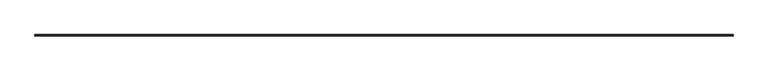
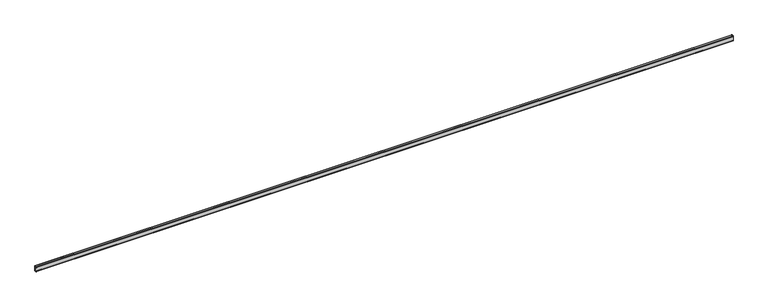
"""IFC4 building model written with IfcOpenShell, lengths in millimetres: railing geometry."""

from ifc_helpers import new_model, si_unit, point, frame, frame_2d, origin, place, context, project, spatial, polyline, circle_curve, trimmed, segment, composite_curve, outline, extrude, source, transform, mapped, element, save


def railing_a94ff574(model_context):
    return source(origin(), model_context, "Body", "SweptSolid", [
        extrude(outline(composite_curve([segment(trimmed(circle_curve(frame_2d((50370.6989982, 574.548)), 1.524), [point((50370.6989982, 573.024))], [point((50372.2229982, 574.548))], True, "CARTESIAN"), True, "CONTINUOUS"), segment(polyline([(50372.2229982, 574.548), (50372.2229982, 708.152)]), True, "CONTINUOUS"), segment(trimmed(circle_curve(frame_2d((50370.6989982, 708.152)), 1.524), [point((50372.2229982, 708.152))], [point((50370.6989982, 709.676))], True, "CARTESIAN"), True, "CONTINUOUS"), segment(polyline([(50370.6989982, 709.676), (50337.1709982, 709.676), (50337.1709982, 692.15), (50335.6469982, 692.15), (50335.6469982, 709.295)]), True, "CONTINUOUS"), segment(trimmed(circle_curve(frame_2d((50337.5519982, 709.295)), 1.905), [point((50335.6469982, 709.295))], [point((50337.5519982, 711.2))], False, "CARTESIAN"), True, "CONTINUOUS"), segment(polyline([(50337.5519982, 711.2), (50370.5719982, 711.2)]), True, "CONTINUOUS"), segment(trimmed(circle_curve(frame_2d((50370.5719982, 708.025)), 3.175), [point((50370.5719982, 711.2))], [point((50373.7469982, 708.025))], False, "CARTESIAN"), True, "CONTINUOUS"), segment(polyline([(50373.7469982, 708.025), (50373.7469982, 574.675)]), True, "CONTINUOUS"), segment(trimmed(circle_curve(frame_2d((50370.5719982, 574.675)), 3.175), [point((50373.7469982, 574.675))], [point((50370.5719982, 571.5))], False, "CARTESIAN"), True, "CONTINUOUS"), segment(polyline([(50370.5719982, 571.5), (50337.5519982, 571.5)]), True, "CONTINUOUS"), segment(trimmed(circle_curve(frame_2d((50337.5519982, 573.405)), 1.905), [point((50337.5519982, 571.5))], [point((50335.6469982, 573.405))], False, "CARTESIAN"), True, "CONTINUOUS"), segment(polyline([(50335.6469982, 573.405), (50335.6469982, 590.55), (50337.1709982, 590.55), (50337.1709982, 573.024), (50370.6989982, 573.024)]), True, "CONTINUOUS")], self_intersect=False)), frame((31170.4663719, 0.0, 0.0), z_axis=(1.0, 0.0, 0.0), x_axis=(0.0, 1.0, 0.0)), (0.0, 0.0, 1.0), 18288.0),
        extrude(outline(composite_curve([segment(polyline([(50360.5649552, 569.897237), (50337.0530687, 569.897237)]), True, "CONTINUOUS"), segment(trimmed(circle_curve(frame_2d((50337.0530687, 573.072237)), 3.175), [point((50337.0530687, 569.897237))], [point((50333.8780687, 573.072237))], False, "CARTESIAN"), True, "CONTINUOUS"), segment(polyline([(50333.8780687, 573.072237), (50333.8780687, 678.1867316), (50337.1739328, 685.254735), (50337.1739328, 701.6097978), (50338.6814868, 701.6097978), (50338.6814868, 685.254735), (50335.3856227, 678.1867316), (50335.3856227, 572.9287909)]), True, "CONTINUOUS"), segment(trimmed(circle_curve(frame_2d((50336.9096227, 572.9287909)), 1.524), [point((50335.3856227, 572.9287909))], [point((50336.9096227, 571.4047909))], True, "CARTESIAN"), True, "CONTINUOUS"), segment(polyline([(50336.9096227, 571.4047909), (50360.5649552, 571.4047909), (50360.5649552, 569.897237)]), True, "CONTINUOUS")], self_intersect=False)), frame((31170.4663719, 0.0, 0.0), z_axis=(1.0, 0.0, 0.0), x_axis=(0.0, 1.0, 0.0)), (0.0, 0.0, 1.0), 18288.0),
    ])


if __name__ == "__main__":
    model = new_model("IFC4")
    model_context = context("Model", 3, world=origin())
    ifc_project = project(units=[si_unit("LENGTHUNIT", "METRE", prefix="MILLI")], contexts=[model_context])
    site = spatial("IfcSite", under=ifc_project)
    building = spatial("IfcBuilding", under=site)
    placement = place(None, origin())
    railing_shape = railing_a94ff574(model_context)
    element("IfcRailing", 1, at=placement, inside=building, context=model_context, shape_type="MappedRepresentation", body=[
        mapped(railing_shape, transform((0.0, 0.0, 0.0), x_axis=(1.0, 0.0, 0.0), y_axis=(0.0, 1.0, 0.0), z_axis=(0.0, 0.0, 1.0))),
    ])
    save(model, "model.ifc")
